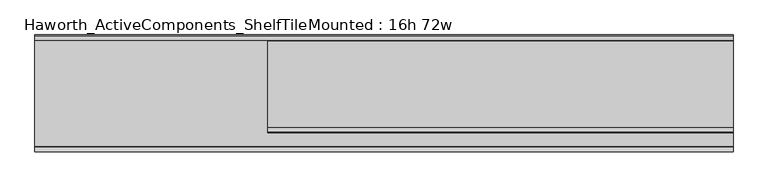
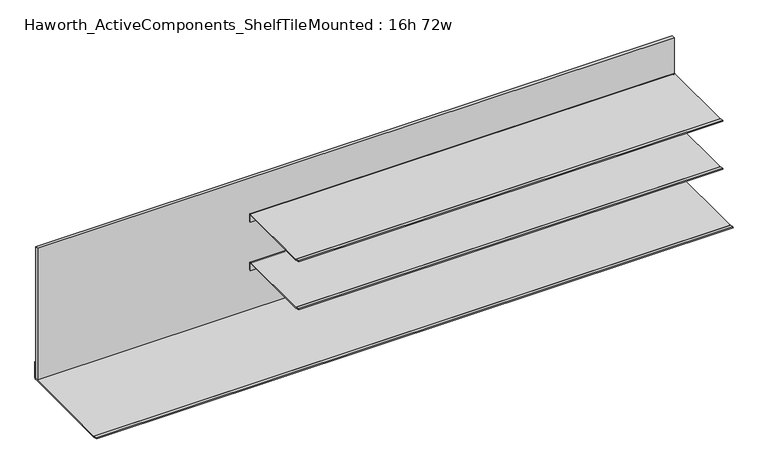
"""IFC4 building model written with IfcOpenShell, lengths in millimetres: furniture geometry, Haworth_ActiveComponents_ShelfTileMounted : 16h 72w."""

from ifc_helpers import new_model, si_unit, point, frame, frame_2d, origin, place, context, project, spatial, polyline, circle_curve, trimmed, segment, composite_curve, outline, extrude, source, transform, mapped, element, save


def haworth_activecomponents_shelftilemounted_16h_72w_066596e0(model_context):
    return source(origin(), model_context, "Body", "SweptSolid", [
        extrude(outline(composite_curve([segment(polyline([(-1314.0921863, 734.7747869), (-1313.4018975, 737.3509066), (-1301.2394379, 734.0919868)]), True, "CONTINUOUS"), segment(trimmed(circle_curve(frame_2d((-1300.4176878, 737.1588014)), 3.175), [point((-1301.2394379, 734.0919868))], [point((-1300.4176878, 733.9838014))], True, "CARTESIAN"), True, "CONTINUOUS"), segment(polyline([(-1300.4176878, 733.9838014), (-1074.325211, 733.9838014)]), True, "CONTINUOUS"), segment(trimmed(circle_curve(frame_2d((-1074.325211, 730.9985118)), 2.9852896), [point((-1074.325211, 733.9838014))], [point((-1071.3399214, 730.9985118))], False, "CARTESIAN"), True, "CONTINUOUS"), segment(polyline([(-1071.3399214, 730.9985118), (-1071.3399214, 708.5837984), (-1074.2058961, 708.5837984), (-1074.2058961, 730.3073917)]), True, "CONTINUOUS"), segment(trimmed(circle_curve(frame_2d((-1075.2153083, 730.3073917)), 1.0094122), [point((-1074.2058961, 730.3073917))], [point((-1075.2153083, 731.316804))], True, "CARTESIAN"), True, "CONTINUOUS"), segment(polyline([(-1075.2153083, 731.316804), (-1300.768816, 731.316804)]), True, "CONTINUOUS"), segment(trimmed(circle_curve(frame_2d((-1300.768816, 734.491804)), 3.175), [point((-1300.768816, 731.316804))], [point((-1301.5905661, 731.4249894))], False, "CARTESIAN"), True, "CONTINUOUS"), segment(polyline([(-1301.5905661, 731.4249894), (-1314.0921863, 734.7747869)]), True, "CONTINUOUS")], self_intersect=False)), frame((-1955.746931, 0.0, 0.0), z_axis=(1.0, 0.0, 0.0), x_axis=(0.0, 1.0, 0.0)), (0.0, 0.0, 1.0), 1219.2),
        extrude(outline(composite_curve([segment(polyline([(-1314.0921863, 881.0787943), (-1313.4018975, 883.654914), (-1301.2394379, 880.3959943)]), True, "CONTINUOUS"), segment(trimmed(circle_curve(frame_2d((-1300.4176878, 883.4628089)), 3.175), [point((-1301.2394379, 880.3959943))], [point((-1300.4176878, 880.2878089))], True, "CARTESIAN"), True, "CONTINUOUS"), segment(polyline([(-1300.4176878, 880.2878089), (-1074.325211, 880.2878089)]), True, "CONTINUOUS"), segment(trimmed(circle_curve(frame_2d((-1074.325211, 877.3025192)), 2.9852896), [point((-1074.325211, 880.2878089))], [point((-1071.3399214, 877.3025192))], False, "CARTESIAN"), True, "CONTINUOUS"), segment(polyline([(-1071.3399214, 877.3025192), (-1071.3399214, 854.8878058), (-1074.2058961, 854.8878058), (-1074.2058961, 876.6113992)]), True, "CONTINUOUS"), segment(trimmed(circle_curve(frame_2d((-1075.2153083, 876.6113992)), 1.0094122), [point((-1074.2058961, 876.6113992))], [point((-1075.2153083, 877.6208114))], True, "CARTESIAN"), True, "CONTINUOUS"), segment(polyline([(-1075.2153083, 877.6208114), (-1300.768816, 877.6208114)]), True, "CONTINUOUS"), segment(trimmed(circle_curve(frame_2d((-1300.768816, 880.7958114)), 3.175), [point((-1300.768816, 877.6208114))], [point((-1301.5905661, 877.7289968))], False, "CARTESIAN"), True, "CONTINUOUS"), segment(polyline([(-1301.5905661, 877.7289968), (-1314.0921863, 881.0787943)]), True, "CONTINUOUS")], self_intersect=False)), frame((-1955.746931, 0.0, 0.0), z_axis=(1.0, 0.0, 0.0), x_axis=(0.0, 1.0, 0.0)), (0.0, 0.0, 1.0), 1219.2),
        extrude(outline(polyline([(-2565.346931, -1071.3399214), (-2565.346931, -1061.814921), (-736.546931, -1061.814921), (-736.546931, -1071.3399214), (-2565.346931, -1071.3399214)])), frame((0.0, 0.0, 588.8989999), z_axis=(0.0, 0.0, 1.0), x_axis=(1.0, 0.0, 0.0)), (0.0, 0.0, 1.0), 398.6529995),
        extrude(outline(composite_curve([segment(polyline([(-1061.0529213, 584.2), (-1351.0608317, 584.2)]), True, "CONTINUOUS"), segment(trimmed(circle_curve(frame_2d((-1351.0608317, 587.375)), 3.175), [point((-1351.0608317, 584.2))], [point((-1351.8825846, 584.3081862))], False, "CARTESIAN"), True, "CONTINUOUS"), segment(polyline([(-1351.8825846, 584.3081862), (-1364.3841902, 587.6579801), (-1363.6939146, 590.2341249), (-1351.7011481, 587.020674)]), True, "CONTINUOUS"), segment(trimmed(circle_curve(frame_2d((-1350.8794014, 590.0874913)), 3.1750017), [point((-1351.7011481, 587.020674))], [point((-1350.8794014, 586.9124896))], True, "CARTESIAN"), True, "CONTINUOUS"), segment(polyline([(-1350.8794014, 586.9124896), (-1061.5371086, 586.9124896)]), True, "CONTINUOUS"), segment(trimmed(circle_curve(frame_2d((-1061.5371086, 587.9046771)), 0.9921875), [point((-1061.5371086, 586.9124896))], [point((-1060.5449211, 587.9046771))], True, "CARTESIAN"), True, "CONTINUOUS"), segment(polyline([(-1060.5449211, 587.9046771), (-1060.5449211, 634.6189999), (-1057.8779213, 634.6189999), (-1057.8779213, 587.375)]), True, "CONTINUOUS"), segment(trimmed(circle_curve(frame_2d((-1061.0529213, 587.375)), 3.175), [point((-1057.8779213, 587.375))], [point((-1061.0529213, 584.2))], False, "CARTESIAN"), True, "CONTINUOUS")], self_intersect=False)), frame((-2565.346931, 0.0, 0.0), z_axis=(1.0, 0.0, 0.0), x_axis=(0.0, 1.0, 0.0)), (0.0, 0.0, 1.0), 1828.8),
    ])


if __name__ == "__main__":
    model = new_model("IFC4")
    model_context = context("Model", 3, world=origin())
    ifc_project = project(units=[si_unit("LENGTHUNIT", "METRE", prefix="MILLI")], contexts=[model_context])
    site = spatial("IfcSite", under=ifc_project)
    building = spatial("IfcBuilding", under=site)
    placement = place(None, origin())
    haworth_activecomponents_shelftilemounted_16h_72w_shape = haworth_activecomponents_shelftilemounted_16h_72w_066596e0(model_context)
    element("IfcFurniture", 1, ObjectType="Haworth_ActiveComponents_ShelfTileMounted : 16h 72w", at=placement, inside=building, context=model_context, shape_type="MappedRepresentation", body=[
        mapped(haworth_activecomponents_shelftilemounted_16h_72w_shape, transform((0.0, 0.0, 0.0), x_axis=(1.0, 0.0, 0.0), y_axis=(0.0, 1.0, 0.0), z_axis=(0.0, 0.0, 1.0))),
    ])
    save(model, "model.ifc")
